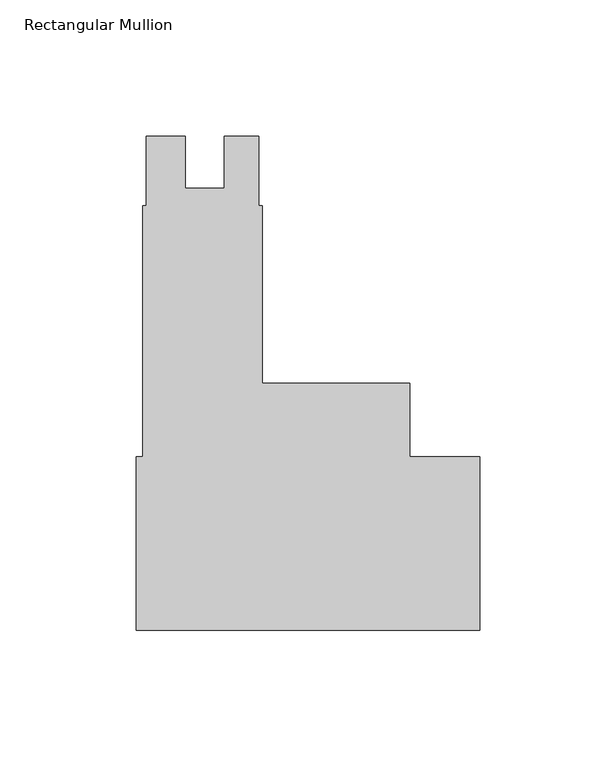
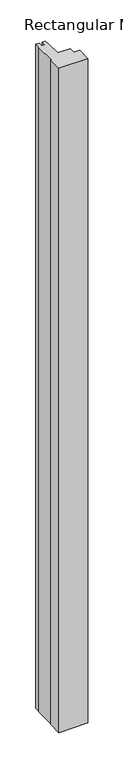
"""IFC4 building model written with IfcOpenShell, lengths in millimetres: member geometry, Rectangular Mullion."""

from ifc_helpers import new_model, si_unit, frame, origin, place, context, project, spatial, polyline, outline, extrude, source, transform, mapped, element, save


def rectangular_mullion_34be45fa(model_context):
    return source(origin(), model_context, "Body", "SweptSolid", [
        extrude(outline(polyline([(-125.7808, -47.97425), (-125.7808, 15.5257501), (-123.39955, 15.5257501), (-123.39955, 107.6007501), (-122.1422337, 107.6007501), (-122.1422337, 133.0007501), (-107.88015, 133.0007501), (-107.88015, 113.963451), (-93.59265, 113.963451), (-93.59265, 133.0007501), (-80.87995, 133.0007501), (-80.87995, 107.6007501), (-79.60995, 107.6007501), (-79.60995, 42.5005501), (-25.577927, 42.5005501), (-25.577927, 15.5257501), (0.0, 15.5257501), (0.0, -47.97425), (-125.7808, -47.97425)])), frame((0.0, 0.0, -3048.0), z_axis=(0.0, 0.0, 1.0), x_axis=(1.0, 0.0, 0.0)), (0.0, 0.0, 1.0), 3048.0),
    ])


if __name__ == "__main__":
    model = new_model("IFC4")
    model_context = context("Model", 3, world=origin())
    ifc_project = project(units=[si_unit("LENGTHUNIT", "METRE", prefix="MILLI")], contexts=[model_context])
    site = spatial("IfcSite", under=ifc_project)
    building = spatial("IfcBuilding", under=site)
    placement = place(None, origin())
    rectangular_mullion_shape = rectangular_mullion_34be45fa(model_context)
    element("IfcMember", 1, ObjectType="Rectangular Mullion", at=placement, inside=building, context=model_context, shape_type="MappedRepresentation", body=[
        mapped(rectangular_mullion_shape, transform((0.0, 0.0, 0.0), x_axis=(1.0, 0.0, 0.0), y_axis=(0.0, 1.0, 0.0), z_axis=(0.0, 0.0, 1.0))),
    ])
    save(model, "model.ifc")
